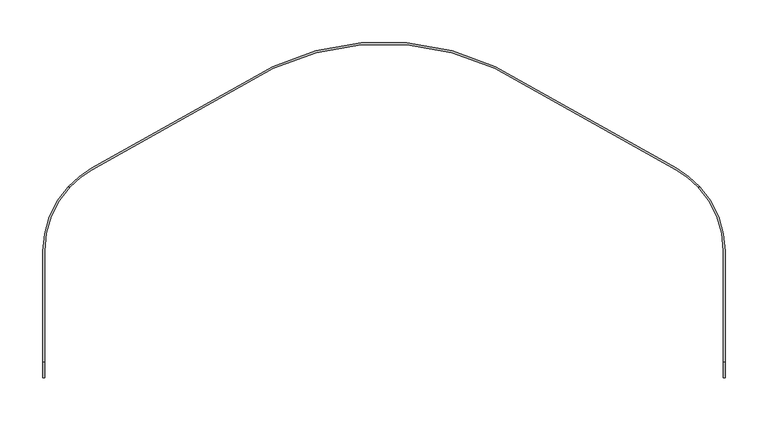
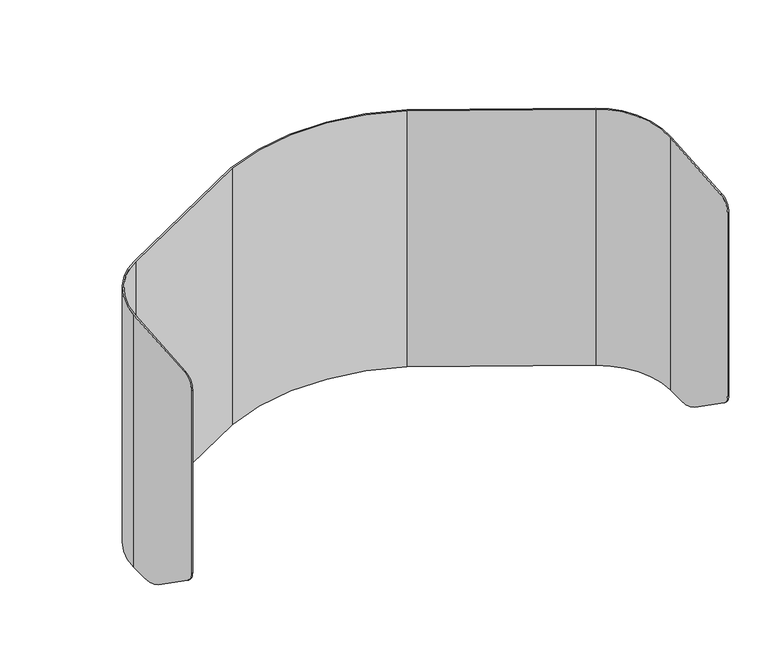
"""IFC4 building model written with IfcOpenShell, lengths in millimetres: furniture geometry."""

from ifc_helpers import new_model, si_unit, frame, origin, place, context, project, spatial, polyline, circle_curve, ellipse_curve, source, transform, mapped, element, save
from ifc_brep_helpers import plane_surface, cylinder_surface, revolved_surface, advanced_brep


def furniture_0d82a0f0(model_context):
    return source(origin(), model_context, "Body", "AdvancedBrep", [
        advanced_brep(
        [(-339.6685681, -245.6168533, 1073.7705774), (-128.8737609, -127.2479558, 1073.7705774), (128.8737609, -127.2479558, 1073.7705774), (339.6685681, -245.6168533, 1073.7705774), (364.9994777, -265.2683287, 1073.7705774), (367.6143615, -265.2683287, 1073.7705774), (340.6012993, -243.9558182, 1073.7705774), (129.7438066, -125.5517205, 1073.7705774), (-129.7438066, -125.5517205, 1073.7705774), (-340.6012993, -243.9558182, 1073.7705774), (-367.6143615, -265.2683287, 1073.7705774), (-364.9994777, -265.2683287, 1073.7705774), (-397.0005132, -340.3088755, 673.7705744), (-340.6012993, -243.9558182, 673.7705744), (-129.7438066, -125.5517205, 673.7705744), (129.7438066, -125.5517205, 673.7705744), (340.6012993, -243.9558182, 673.7705744), (397.0005132, -340.3088755, 673.7705744), (397.0005132, -368.5049804, 673.7705744), (395.0955132, -368.5049804, 673.7705744), (395.0955132, -340.3088755, 673.7705744), (339.6685681, -245.6168533, 673.7705744), (128.8737609, -127.2479558, 673.7705744), (-128.8737609, -127.2479558, 673.7705744), (-339.6685681, -245.6168533, 673.7705744), (-395.0955132, -340.3088755, 673.7705744), (-395.0955132, -368.5049804, 673.7705744), (-397.0005132, -368.5049804, 673.7705744), (-397.0005132, -402.9195196, 684.6214382), (-397.0005132, -478.8647387, 737.7988609), (-397.0005132, -487.3932152, 754.1819133), (-397.0005132, -487.3932152, 1039.0109259), (-397.0005132, -469.1363354, 1057.2678057), (-397.0005132, -340.3088755, 1067.6961716), (-395.0955132, -487.3932152, 754.1819133), (-395.0955132, -487.3932152, 1039.0109259), (-395.0955132, -340.3088755, 1067.6961716), (-395.0955132, -469.1363354, 1057.2678057), (-395.0955132, -478.8647387, 737.7988609), (-395.0955132, -402.9195196, 684.6214382), (395.0955132, -340.3088755, 1067.6961716), (395.0955132, -402.9195196, 684.6214382), (395.0955132, -478.8647387, 737.7988609), (395.0955132, -487.3932152, 754.1819133), (395.0955132, -487.3932152, 1039.0109259), (395.0955132, -469.1363354, 1057.2678057), (397.0005132, -487.3932152, 754.1819133), (397.0005132, -487.3932152, 1039.0109259), (397.0005132, -340.3088755, 1067.6961716), (397.0005132, -469.1363354, 1057.2678057), (397.0005132, -478.8647387, 737.7988609), (397.0005132, -402.9195196, 684.6214382)],
        [
            (0, 1),
            (1, 2, circle_curve(frame((0.0, -403.7881521, 1073.7705774), z_axis=(0.0, 0.0, -1.0), x_axis=(1.0, 0.0, 0.0)), 305.0949466)),
            (2, 3),
            (3, 4, circle_curve(frame((286.4955776, -340.3088755, 1073.7705774), z_axis=(0.0, 0.0, -1.0), x_axis=(-1.0, 0.0, 0.0)), 108.5999355)),
            (4, 5),
            (5, 6, circle_curve(frame((286.4955776, -340.3088755, 1073.7705774), z_axis=(0.0, 0.0, 1.0), x_axis=(-1.0, 0.0, 0.0)), 110.5049355)),
            (6, 7),
            (7, 8, circle_curve(frame((0.0, -403.7881521, 1073.7705774), z_axis=(0.0, 0.0, 1.0), x_axis=(1.0, 0.0, 0.0)), 306.9999466)),
            (8, 9),
            (9, 10, circle_curve(frame((-286.4955776, -340.3088755, 1073.7705774), z_axis=(0.0, 0.0, 1.0), x_axis=(1.0, 0.0, 0.0)), 110.5049355)),
            (10, 11),
            (11, 0, circle_curve(frame((-286.4955776, -340.3088755, 1073.7705774), z_axis=(0.0, 0.0, -1.0), x_axis=(1.0, 0.0, 0.0)), 108.5999355)),
            (12, 13, circle_curve(frame((-286.4955776, -340.3088755, 673.7705744), z_axis=(0.0, 0.0, -1.0), x_axis=(1.0, 0.0, 0.0)), 110.5049355)),
            (13, 14),
            (14, 15, circle_curve(frame((0.0, -403.7881521, 673.7705744), z_axis=(0.0, 0.0, -1.0), x_axis=(1.0, 0.0, 0.0)), 306.9999466)),
            (15, 16),
            (16, 17, circle_curve(frame((286.4955776, -340.3088755, 673.7705744), z_axis=(0.0, 0.0, -1.0), x_axis=(-1.0, 0.0, 0.0)), 110.5049355)),
            (17, 18),
            (18, 19),
            (19, 20),
            (20, 21, circle_curve(frame((286.4955776, -340.3088755, 673.7705744), z_axis=(0.0, 0.0, 1.0), x_axis=(-1.0, 0.0, 0.0)), 108.5999355)),
            (21, 22),
            (22, 23, circle_curve(frame((0.0, -403.7881521, 673.7705744), z_axis=(0.0, 0.0, 1.0), x_axis=(1.0, 0.0, 0.0)), 305.0949466)),
            (23, 24),
            (24, 25, circle_curve(frame((-286.4955776, -340.3088755, 673.7705744), z_axis=(0.0, 0.0, 1.0), x_axis=(1.0, 0.0, 0.0)), 108.5999355)),
            (25, 26),
            (26, 27),
            (27, 12),
            (27, 28, circle_curve(frame((-397.0005132, -368.5049804, 733.7704865), z_axis=(-1.0, 0.0, 0.0), x_axis=(0.0, 1.0, 0.0)), 59.9999121)),
            (28, 29),
            (29, 30, circle_curve(frame((-397.0005132, -467.3932002, 754.1819133), z_axis=(-1.0, 0.0, 0.0), x_axis=(0.0, 1.0, 0.0)), 20.000015)),
            (30, 31),
            (31, 32, circle_curve(frame((-397.0005132, -469.1363354, 1039.0109259), z_axis=(-1.0, 0.0, 0.0), x_axis=(0.0, 1.0, 0.0)), 18.2568798)),
            (32, 33),
            (33, 12),
            (30, 34),
            (34, 35),
            (35, 31),
            (25, 36),
            (36, 37),
            (37, 35, circle_curve(frame((-395.0955132, -469.1363354, 1039.0109259), z_axis=(1.0, 0.0, 0.0), x_axis=(0.0, 1.0, 0.0)), 18.2568798)),
            (34, 38, circle_curve(frame((-395.0955132, -467.3932002, 754.1819133), z_axis=(1.0, 0.0, 0.0), x_axis=(0.0, 1.0, 0.0)), 20.000015)),
            (38, 39),
            (39, 26, circle_curve(frame((-395.0955132, -368.5049804, 733.7704865), z_axis=(1.0, 0.0, 0.0), x_axis=(0.0, 1.0, 0.0)), 59.9999121)),
            (24, 0),
            (11, 36, ellipse_curve(frame((-286.4955776, -340.3088755, 1067.6961716), z_axis=(0.0, -0.0806843997843766, 0.9967396990345248), x_axis=(0.0, -0.9967396990345248, -0.08068439978437507)), 108.9551622, 108.5999355)),
            (23, 1),
            (22, 2),
            (21, 3),
            (20, 40),
            (40, 4, ellipse_curve(frame((286.4955776, -340.3088755, 1067.6961716), z_axis=(0.0, -0.0806843997843766, 0.9967396990345248), x_axis=(0.0, -0.9967396990345248, -0.08068439978437507)), 108.9551622, 108.5999355)),
            (19, 41, circle_curve(frame((395.0955132, -368.5049804, 733.7704865), z_axis=(-1.0, 0.0, 0.0), x_axis=(0.0, 1.0, 0.0)), 59.9999121)),
            (41, 42),
            (42, 43, circle_curve(frame((395.0955132, -467.3932002, 754.1819133), z_axis=(-1.0, 0.0, 0.0), x_axis=(0.0, 1.0, 0.0)), 20.000015)),
            (43, 44),
            (44, 45, circle_curve(frame((395.0955132, -469.1363354, 1039.0109259), z_axis=(-1.0, 0.0, 0.0), x_axis=(0.0, 1.0, 0.0)), 18.2568798)),
            (45, 40),
            (43, 46),
            (46, 47),
            (47, 44),
            (17, 48),
            (48, 49),
            (49, 47, circle_curve(frame((397.0005132, -469.1363354, 1039.0109259), z_axis=(1.0, 0.0, 0.0), x_axis=(0.0, 1.0, 0.0)), 18.2568798)),
            (46, 50, circle_curve(frame((397.0005132, -467.3932002, 754.1819133), z_axis=(1.0, 0.0, 0.0), x_axis=(0.0, 1.0, 0.0)), 20.000015)),
            (50, 51),
            (51, 18, circle_curve(frame((397.0005132, -368.5049804, 733.7704865), z_axis=(1.0, 0.0, 0.0), x_axis=(0.0, 1.0, 0.0)), 59.9999121)),
            (16, 6),
            (5, 48, ellipse_curve(frame((286.4955776, -340.3088755, 1067.6961716), z_axis=(0.0, 0.0806843997843766, -0.9967396990345248), x_axis=(0.0, 0.9967396990345248, 0.08068439978437507)), 110.8663934, 110.5049355)),
            (15, 7),
            (14, 8),
            (13, 9),
            (33, 10, ellipse_curve(frame((-286.4955776, -340.3088755, 1067.6961716), z_axis=(0.0, 0.0806843997843766, -0.9967396990345248), x_axis=(0.0, 0.9967396990345248, 0.08068439978437507)), 110.8663934, 110.5049355)),
            (29, 38),
            (42, 50),
            (39, 28),
            (51, 41),
            (32, 37),
            (45, 49),
        ],
        [
            plane_surface(frame((-397.0005132, -487.3932152, 1073.7705774), z_axis=(0.0, 0.0, 1.0), x_axis=(0.0, -1.0, 0.0))),
            plane_surface(frame((-397.0005132, -487.3932152, 673.7705744), z_axis=(0.0, 0.0, -1.0), x_axis=(0.0, 1.0, 0.0))),
            plane_surface(frame((-397.0005132, -340.3088755, 1073.7705774), z_axis=(-1.0, 0.0, 0.0), x_axis=(0.0, 0.0, -1.0))),
            plane_surface(frame((-397.0005132, -487.3932152, 1073.7705774), z_axis=(0.0, -1.0, 0.0), x_axis=(0.0, 0.0, -1.0))),
            plane_surface(frame((-395.0955132, -487.3932152, 1073.7705774), z_axis=(1.0, 0.0, 0.0), x_axis=(0.0, 0.0, -1.0))),
            revolved_surface(polyline([(-177.89564209999998, -340.3088755, 673.7705744), (-177.89564209999998, -340.3088755, 1076.4871534655163)]), (-286.4955776, -340.3088755, 673.7705744), (0.0, 0.0, -1.0)),
            plane_surface(frame((-339.6685681, -245.6168533, 1073.7705774), z_axis=(0.48962267071397075, -0.871934424324971, 0.0), x_axis=(0.0, 0.0, -1.0))),
            revolved_surface(polyline([(305.0949466, -403.7881521, 673.7705744), (305.0949466, -403.7881521, 1073.7705774)]), (0.0, -403.7881521, 673.7705744), (0.0, 0.0, -1.0)),
            plane_surface(frame((128.8737609, -127.2479558, 1073.7705774), z_axis=(-0.48962267071397064, -0.871934424324971, 0.0), x_axis=(0.0, 0.0, -1.0))),
            revolved_surface(polyline([(177.89564209999998, -340.3088755, 673.7705744), (177.89564209999998, -340.3088755, 1076.4871534655163)]), (286.4955776, -340.3088755, 673.7705744), (0.0, 0.0, -1.0)),
            plane_surface(frame((395.0955132, -340.3088755, 1073.7705774), z_axis=(-1.0, 0.0, 0.0), x_axis=(0.0, 0.0, -1.0))),
            plane_surface(frame((395.0955132, -487.3932152, 1073.7705774), z_axis=(0.0, -1.0, 0.0), x_axis=(0.0, 0.0, -1.0))),
            plane_surface(frame((397.0005132, -487.3932152, 1073.7705774), z_axis=(1.0, 0.0, 0.0), x_axis=(0.0, 0.0, -1.0))),
            cylinder_surface(frame((286.4955776, -340.3088755, 673.7705744), z_axis=(0.0, 0.0, 1.0), x_axis=(-1.0, 0.0, 0.0)), 110.5049355),
            plane_surface(frame((340.6012993, -243.9558182, 1073.7705774), z_axis=(0.4896226707139701, 0.8719344243249715, 0.0), x_axis=(0.0, 0.0, -1.0))),
            cylinder_surface(frame((0.0, -403.7881521, 673.7705744), z_axis=(0.0, 0.0, 1.0), x_axis=(1.0, 0.0, 0.0)), 306.9999466),
            plane_surface(frame((-129.7438066, -125.5517205, 1073.7705774), z_axis=(-0.48962267071397064, 0.871934424324971, 0.0), x_axis=(0.0, 0.0, -1.0))),
            cylinder_surface(frame((-286.4955776, -340.3088755, 673.7705744), z_axis=(0.0, 0.0, 1.0), x_axis=(1.0, 0.0, 0.0)), 110.5049355),
            cylinder_surface(frame((-585.4913424, -467.3932002, 754.1819133), z_axis=(-1.0, 0.0, 0.0), x_axis=(0.0, 1.0, 0.0)), 20.000015),
            cylinder_surface(frame((-585.4913424, -368.5049804, 733.7704865), z_axis=(-1.0, 0.0, 0.0), x_axis=(0.0, 1.0, 0.0)), 59.9999121),
            plane_surface(frame((532.462618, -402.9195196, 684.6214382), z_axis=(0.0, -0.5735764931768381, -0.8191520044991409), x_axis=(-1.0, 0.0, 0.0))),
            plane_surface(frame((515.4379384, -469.1363354, 1057.2678057), z_axis=(0.0, -0.0806843997843766, 0.9967396990345248), x_axis=(-1.0, 0.0, 0.0))),
            cylinder_surface(frame((-477.6683716, -469.1363354, 1039.0109259), z_axis=(-1.0, 0.0, 0.0), x_axis=(0.0, 1.0, 0.0)), 18.2568798),
        ],
        [
            (0, [[1, 2, 3, 4, 5, 6, 7, 8, 9, 10, 11, 12]]),
            (1, [[13, 14, 15, 16, 17, 18, 19, 20, 21, 22, 23, 24, 25, 26, 27, 28]]),
            (2, [[-28, 29, 30, 31, 32, 33, 34, 35]]),
            (3, [[36, 37, 38, -32]]),
            (4, [[-26, 39, 40, 41, -37, 42, 43, 44]]),
            (5, [[-25, 45, -12, 46, -39]]),
            (6, [[-1, -45, -24, 47]]),
            (7, [[-2, -47, -23, 48]]),
            (8, [[-3, -48, -22, 49]]),
            (9, [[-21, 50, 51, -4, -49]]),
            (10, [[-20, 52, 53, 54, 55, 56, 57, -50]]),
            (11, [[58, 59, 60, -55]]),
            (12, [[-18, 61, 62, 63, -59, 64, 65, 66]]),
            (13, [[-17, 67, -6, 68, -61]]),
            (14, [[-7, -67, -16, 69]]),
            (15, [[-8, -69, -15, 70]]),
            (16, [[-9, -70, -14, 71]]),
            (17, [[-13, -35, 72, -10, -71]]),
            (18, [[73, -42, -36, -31]]),
            (18, [[74, -64, -58, -54]]),
            (19, [[75, -29, -27, -44]]),
            (19, [[76, -52, -19, -66]]),
            (20, [[-73, -30, -75, -43]]),
            (20, [[-74, -53, -76, -65]]),
            (21, [[77, -40, -46, -11, -72, -34]]),
            (21, [[78, -62, -68, -5, -51, -57]]),
            (22, [[-77, -33, -38, -41]]),
            (22, [[-78, -56, -60, -63]]),
        ],
    ),
    ])


if __name__ == "__main__":
    model = new_model("IFC4")
    model_context = context("Model", 3, world=origin())
    ifc_project = project(units=[si_unit("LENGTHUNIT", "METRE", prefix="MILLI")], contexts=[model_context])
    site = spatial("IfcSite", under=ifc_project)
    building = spatial("IfcBuilding", under=site)
    placement = place(None, origin())
    furniture_shape = furniture_0d82a0f0(model_context)
    element("IfcFurniture", 1, at=placement, inside=building, context=model_context, shape_type="MappedRepresentation", body=[
        mapped(furniture_shape, transform((0.0, 0.0, 0.0), x_axis=(1.0, 0.0, 0.0), y_axis=(0.0, 1.0, 0.0), z_axis=(0.0, 0.0, 1.0))),
    ])
    save(model, "model.ifc")
